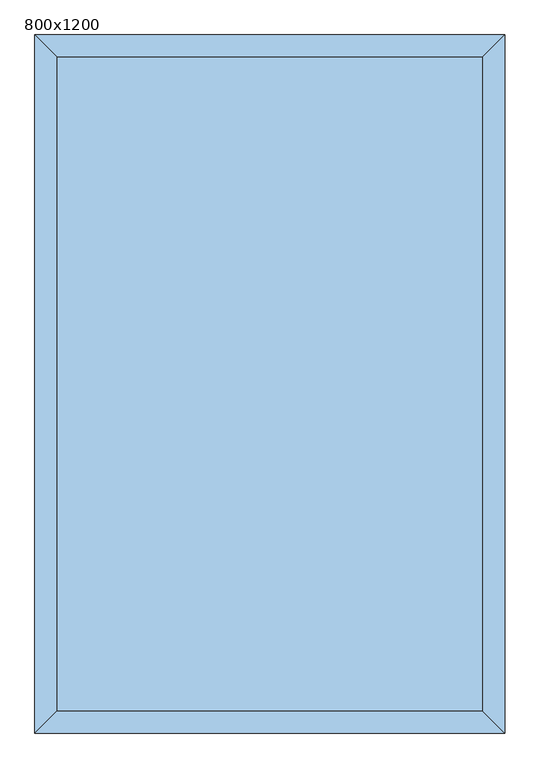
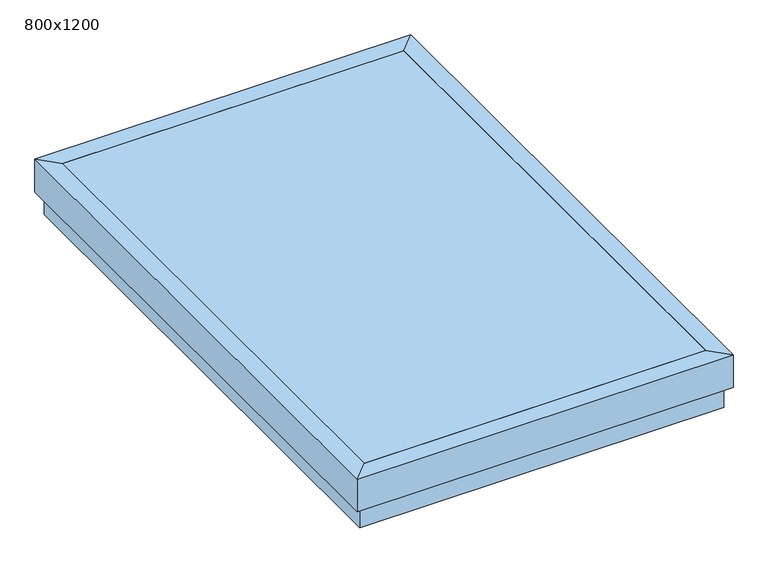
"""IFC4 building model written with IfcOpenShell, lengths in millimetres: window geometry, 800x1200."""

from ifc_helpers import new_model, si_unit, frame, origin, place, context, project, spatial, polyline, outline, extrude, faceted_brep, source, transform, mapped, element, save


def window_800x1200_eeb16bdb(model_context):
    return source(origin(), model_context, "Body", "SolidModel", [
        faceted_brep([(254.440073, 370.1040988, 4076.85), (286.190073, 401.8540988, 4076.85), (286.190073, -810.8459012, 4076.85), (254.440073, -779.0959012, 4076.85), (254.440073, 370.1040988, 4102.25), (254.440073, -779.0959012, 4102.25), (292.540073, 408.2040988, 4102.25), (292.540073, -817.1959012, 4102.25), (292.540073, 408.2040988, 4026.05), (292.540073, -817.1959012, 4026.05), (286.190073, 401.8540988, 4026.05), (286.190073, -810.8459012, 4026.05), (-526.509927, -810.8459012, 4076.85), (-494.759927, -779.0959012, 4076.85), (-494.759927, -779.0959012, 4102.25), (-532.859927, -817.1959012, 4102.25), (-532.859927, -817.1959012, 4026.05), (-526.509927, -810.8459012, 4026.05), (-526.509927, 401.8540988, 4076.85), (-494.759927, 370.1040988, 4076.85), (-494.759927, 370.1040988, 4102.25), (-532.859927, 408.2040988, 4102.25), (-532.859927, 408.2040988, 4026.05), (-526.509927, 401.8540988, 4026.05)], [[[0, 1, 2, 3]], [[4, 0, 3, 5]], [[6, 4, 5, 7]], [[8, 6, 7, 9]], [[10, 8, 9, 11]], [[1, 10, 11, 2]], [[3, 2, 12, 13]], [[5, 3, 13, 14]], [[7, 5, 14, 15]], [[9, 7, 15, 16]], [[11, 9, 16, 17]], [[2, 11, 17, 12]], [[13, 12, 18, 19]], [[14, 13, 19, 20]], [[15, 14, 20, 21]], [[16, 15, 21, 22]], [[17, 16, 22, 23]], [[12, 17, 23, 18]], [[19, 18, 1, 0]], [[20, 19, 0, 4]], [[21, 20, 4, 6]], [[22, 21, 6, 8]], [[23, 22, 8, 10]], [[18, 23, 10, 1]]]),
        faceted_brep([(279.840073, -804.4959012, 4076.85), (279.840073, -804.4959012, 3976.85), (279.840073, 395.5040988, 3976.85), (279.840073, 395.5040988, 4076.85), (254.440073, -779.0959012, 4076.85), (254.440073, 370.1040988, 4076.85), (254.440073, -779.0959012, 4051.45), (254.440073, 370.1040988, 4051.45), (235.390073, -760.0459012, 4051.45), (235.390073, 351.0540988, 4051.45), (235.390073, -760.0459012, 3976.85), (235.390073, 351.0540988, 3976.85), (-520.159927, 395.5040988, 3976.85), (-520.159927, 395.5040988, 4076.85), (-494.759927, 370.1040988, 4076.85), (-494.759927, 370.1040988, 4051.45), (-475.709927, 351.0540988, 4051.45), (-475.709927, 351.0540988, 3976.85), (-520.159927, -804.4959012, 3976.85), (-520.159927, -804.4959012, 4076.85), (-494.759927, -779.0959012, 4076.85), (-494.759927, -779.0959012, 4051.45), (-475.709927, -760.0459012, 4051.45), (-475.709927, -760.0459012, 3976.85)], [[[0, 1, 2, 3]], [[4, 0, 3, 5]], [[6, 4, 5, 7]], [[8, 6, 7, 9]], [[10, 8, 9, 11]], [[1, 10, 11, 2]], [[3, 2, 12, 13]], [[5, 3, 13, 14]], [[7, 5, 14, 15]], [[9, 7, 15, 16]], [[11, 9, 16, 17]], [[2, 11, 17, 12]], [[13, 12, 18, 19]], [[14, 13, 19, 20]], [[15, 14, 20, 21]], [[16, 15, 21, 22]], [[17, 16, 22, 23]], [[12, 17, 23, 18]], [[19, 18, 1, 0]], [[20, 19, 0, 4]], [[21, 20, 4, 6]], [[22, 21, 6, 8]], [[23, 22, 8, 10]], [[18, 23, 10, 1]]]),
        extrude(outline(polyline([(254.440073, -779.0959012), (-494.759927, -779.0959012), (-494.759927, 370.1040988), (254.440073, 370.1040988), (254.440073, -779.0959012)])), frame((0.0, 0.0, 4095.9), z_axis=(0.0, 0.0, 1.0), x_axis=(1.0, 0.0, 0.0)), (0.0, 0.0, 1.0), 6.35),
    ])


if __name__ == "__main__":
    model = new_model("IFC4")
    model_context = context("Model", 3, world=origin())
    ifc_project = project(units=[si_unit("LENGTHUNIT", "METRE", prefix="MILLI")], contexts=[model_context])
    site = spatial("IfcSite", under=ifc_project)
    building = spatial("IfcBuilding", under=site)
    placement = place(None, origin())
    window_800x1200_shape = window_800x1200_eeb16bdb(model_context)
    element("IfcWindow", 1, ObjectType="800x1200", at=placement, inside=building, context=model_context, shape_type="MappedRepresentation", body=[
        mapped(window_800x1200_shape, transform((0.0, 0.0, 0.0), x_axis=(1.0, 0.0, 0.0), y_axis=(0.0, 1.0, 0.0), z_axis=(0.0, 0.0, 1.0))),
    ])
    save(model, "model.ifc")
